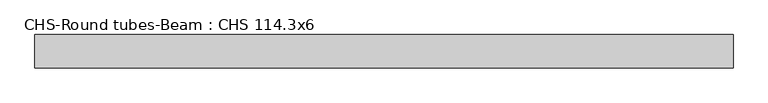
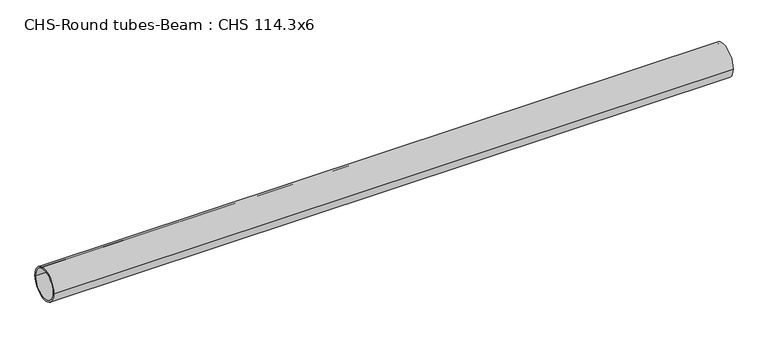
"""IFC4 building model written with IfcOpenShell, lengths in millimetres: beam geometry, CHS-Round tubes-Beam : CHS 114.3x6."""

from ifc_helpers import new_model, si_unit, point, frame, origin, origin_2d, place, context, project, spatial, circle_curve, trimmed, segment, composite_curve, outline, extrude, source, transform, mapped, element, save


def chs_round_tubes_beam_chs_114_3x6_defa2c31(model_context):
    return source(origin(), model_context, "Body", "SweptSolid", [
        extrude(outline(composite_curve([segment(trimmed(circle_curve(origin_2d(), 57.15), [point((57.15, 0.0))], [point((-57.15, 0.0))], False, "CARTESIAN"), True, "CONTINUOUS"), segment(trimmed(circle_curve(origin_2d(), 57.15), [point((-57.15, 0.0))], [point((57.15, 0.0))], False, "CARTESIAN"), True, "CONTINUOUS")], self_intersect=False), holes=[composite_curve([segment(trimmed(circle_curve(origin_2d(), 51.15), [point((51.15, 0.0))], [point((-51.15, 0.0))], True, "CARTESIAN"), True, "CONTINUOUS"), segment(trimmed(circle_curve(origin_2d(), 51.15), [point((-51.15, 0.0))], [point((51.15, 0.0))], True, "CARTESIAN"), True, "CONTINUOUS")], self_intersect=False)]), frame((-1128.3495644, 0.0, 0.0), z_axis=(1.0, 0.0, 0.0), x_axis=(0.0, 1.0, 0.0)), (0.0, 0.0, 1.0), 2377.2973807),
    ])


if __name__ == "__main__":
    model = new_model("IFC4")
    model_context = context("Model", 3, world=origin())
    ifc_project = project(units=[si_unit("LENGTHUNIT", "METRE", prefix="MILLI")], contexts=[model_context])
    site = spatial("IfcSite", under=ifc_project)
    building = spatial("IfcBuilding", under=site)
    placement = place(None, origin())
    chs_round_tubes_beam_chs_114_3x6_shape = chs_round_tubes_beam_chs_114_3x6_defa2c31(model_context)
    element("IfcBeam", 1, ObjectType="CHS-Round tubes-Beam : CHS 114.3x6", at=placement, inside=building, context=model_context, shape_type="MappedRepresentation", body=[
        mapped(chs_round_tubes_beam_chs_114_3x6_shape, transform((0.0, 0.0, 0.0), x_axis=(1.0, 0.0, 0.0), y_axis=(0.0, 1.0, 0.0), z_axis=(0.0, 0.0, 1.0))),
    ])
    save(model, "model.ifc")
